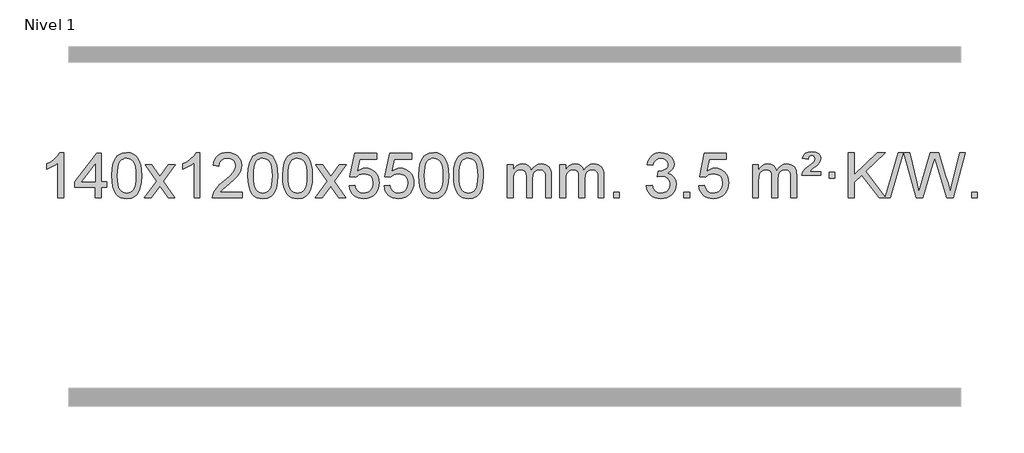
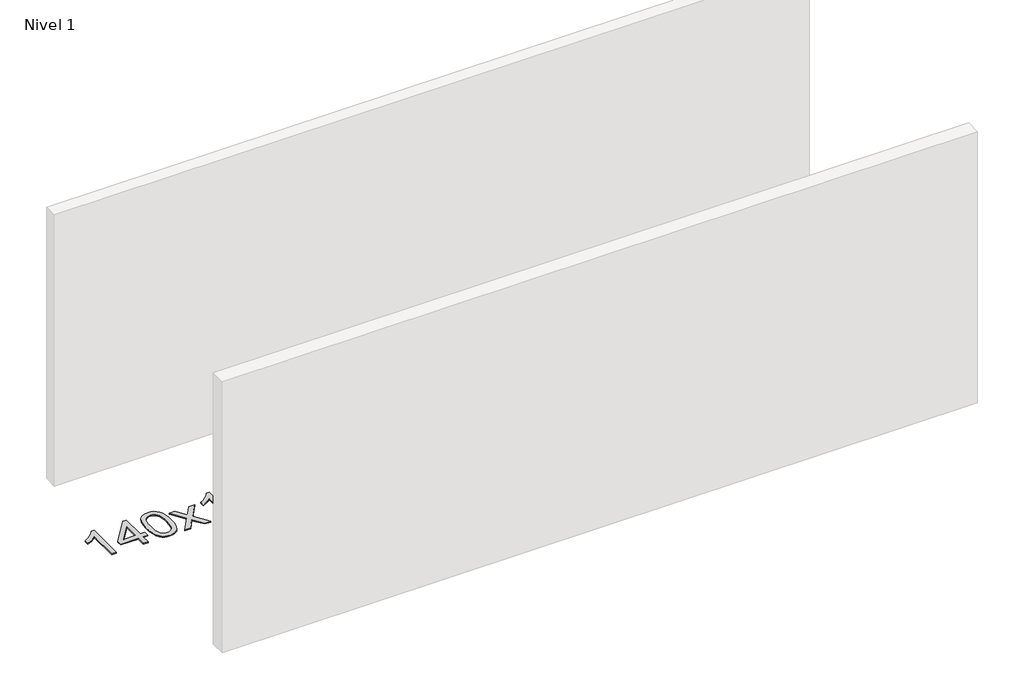
# One storey, part 10 of 14: 1 proxy.
"""IFC4 building model written with IfcOpenShell, lengths in millimetres."""

from ifc_helpers import new_model, si_unit, origin, origin_with_axes, place, context, project, spatial, polyline, outline, extrude, element, save

model = new_model("IFC4")

# Units and contexts
model_context = context("Model", 3, world=origin())
ifc_project = project(units=[si_unit("LENGTHUNIT", "METRE", prefix="MILLI")], contexts=[model_context])

# Site, building, storey
site = spatial("IfcSite", under=ifc_project)
building = spatial("IfcBuilding", under=site)
storey = spatial("IfcBuildingStorey", under=building, Name="Nivel 1", Elevation=0.0)

# Proxy
placement = place(None, origin())
element("IfcBuildingElementProxy", 1, Name="Texto de modelo 1", ObjectType="Texto de modelo 1", at=placement, inside=storey, context=model_context, shape_type="SweptSolid", body=[
    extrude(outline(polyline([(-275.4615788, -9415.579453), (-325.6897338, -9415.579453), (-325.6897338, -9102.4382987), (-346.6590076, -9119.3976587), (-373.2691385, -9136.3324932), (-426.146044, -9161.6918254), (-426.146044, -9114.2105225), (-386.6968314, -9092.7507395), (-352.520594, -9067.219729), (-325.5793692, -9040.0700378), (-307.8351943, -9013.7542124), (-275.4615788, -9013.7542124), (-275.4615788, -9415.579453)])), origin_with_axes(), (0.0, 0.0, 1.0), 10.0),
    extrude(outline(polyline([(7.0717935, -9415.579453), (7.0717935, -9321.4016622), (-175.0052686, -9321.4016622), (-175.0052686, -9271.1735072), (19.6288323, -9020.0327318), (57.2999486, -9020.0327318), (57.2999486, -9271.1735072), (107.5281037, -9271.1735072), (107.5281037, -9321.4016622), (57.2999486, -9321.4016622), (57.2999486, -9415.579453), (7.0717935, -9415.579453)]), holes=[polyline([(7.0717935, -9271.1735072), (7.0717935, -9115.9763561), (-113.2010934, -9271.1735072), (7.0717935, -9271.1735072)])]), origin_with_axes(), (0.0, 0.0, 1.0), 10.0),
    extrude(outline(polyline([(151.4777394, -9217.9041943), (155.1688221, -9153.5861588), (166.2420701, -9102.2911459), (184.5871189, -9063.2343407), (196.4451819, -9048.0009605), (210.0936039, -9035.6309284), (225.5783702, -9026.0598651), (242.9454661, -9019.2233914), (283.3266464, -9013.7542124), (314.277785, -9016.991574), (341.9915619, -9026.7036586), (365.1681276, -9042.5103217), (382.5076323, -9064.0314184), (395.6042314, -9091.0830078), (406.05208, -9123.4811488), (412.8946851, -9164.6226186), (415.1755535, -9217.9041943), (411.521259, -9281.8543477), (400.5583756, -9333.0267333), (382.3236913, -9372.1203266), (370.4932195, -9387.3996922), (356.8539945, -9399.8341036), (341.3508341, -9409.4695462), (323.928556, -9416.3520052), (283.3266464, -9421.8579724), (255.6619204, -9419.4667394), (231.1364541, -9412.2930405), (209.7502474, -9400.3368757), (191.5033004, -9383.5982449), (173.9921175, -9353.3399508), (161.4841296, -9315.6381776), (153.9793369, -9270.4929255), (151.4777394, -9217.9041943)]), holes=[polyline([(201.7058944, -9217.8060924), (203.1774224, -9261.4706195), (207.5920064, -9296.8148822), (214.9496463, -9323.8388804), (225.2503421, -9342.5426142), (237.709279, -9355.2682656), (251.5416421, -9364.3580165), (266.7474312, -9369.8118671), (283.3266464, -9371.6298173), (299.9058617, -9369.8057357), (315.1116508, -9364.3334911), (328.9440138, -9355.2130833), (341.4029507, -9342.4445124), (351.7036466, -9323.7101217), (359.0612865, -9296.6922549), (363.4758705, -9261.3909118), (364.9473984, -9217.8060924), (363.5249214, -9175.2973278), (359.2574902, -9140.5753989), (352.145105, -9113.6403055), (342.1877657, -9094.4920476), (329.9372952, -9081.1440625), (315.9455167, -9071.6097875), (300.21243, -9065.8892225), (282.7380352, -9063.9823675), (266.2446591, -9065.6623619), (251.2963874, -9070.7023452), (237.89322, -9079.1023175), (226.0351571, -9090.8622786), (215.3911047, -9111.708925), (207.7882101, -9139.8151094), (203.2264734, -9175.1808319), (201.7058944, -9217.8060924)])]), origin_with_axes(), (0.0, 0.0, 1.0), 10.0),
    extrude(outline(polyline([(440.2896311, -9415.579453), (547.6130718, -9267.2494325), (446.5681504, -9120.4890419), (506.9988995, -9120.4890419), (555.7555266, -9191.122385), (578.5151594, -9224.4770192), (598.2336343, -9197.2047007), (653.7592901, -9120.4890419), (714.1900392, -9120.4890419), (608.0438209, -9267.2494325), (710.2659646, -9415.579453), (649.8352155, -9415.579453), (588.3253459, -9326.4048574), (577.0436314, -9310.1199477), (500.7203801, -9415.579453), (440.2896311, -9415.579453)])), origin_with_axes(), (0.0, 0.0, 1.0), 10.0),
    extrude(outline(polyline([(930.014143, -9415.579453), (879.785988, -9415.579453), (879.785988, -9102.4382987), (858.8167142, -9119.3976587), (832.2065832, -9136.3324932), (779.3296778, -9161.6918254), (779.3296778, -9114.2105225), (818.7788904, -9092.7507395), (852.9551278, -9067.219729), (879.8963526, -9040.0700378), (897.6405275, -9013.7542124), (930.014143, -9013.7542124), (930.014143, -9415.579453)])), origin_with_axes(), (0.0, 0.0, 1.0), 10.0),
    extrude(outline(polyline([(1306.7253061, -9365.3512979), (1306.7253061, -9415.579453), (1043.0274919, -9415.579453), (1044.1311379, -9397.8965918), (1048.4230945, -9380.9494945), (1060.808455, -9353.8856424), (1078.9327747, -9327.6311307), (1105.1504982, -9300.1503456), (1141.8160704, -9269.4076736), (1196.017351, -9221.2641831), (1228.5381194, -9185.7267824), (1244.7985036, -9156.884834), (1250.2186316, -9128.8277005), (1245.1050719, -9103.6768347), (1229.7643927, -9082.7688747), (1206.1831568, -9068.6789943), (1176.347927, -9063.9823675), (1145.0166437, -9068.5686297), (1120.6751184, -9082.3274163), (1104.9665572, -9104.1796068), (1099.5341664, -9133.0460807), (1049.3060113, -9126.7675613), (1053.6255591, -9100.838012), (1061.4829054, -9078.1826125), (1072.8780502, -9058.8013627), (1087.8109935, -9042.6942627), (1105.9383788, -9030.0329907), (1126.9168496, -9020.989225), (1150.7464058, -9015.5629655), (1177.4270475, -9013.7542124), (1204.3468125, -9015.7653006), (1228.3051275, -9021.7985654), (1249.3019923, -9031.8540066), (1267.3374071, -9045.9316242), (1281.8227607, -9062.9890861), (1292.1694418, -9081.9840598), (1298.3774505, -9102.9165453), (1300.4467867, -9125.7865427), (1298.2149693, -9149.8092369), (1291.519517, -9173.4149983), (1279.6369285, -9197.4254299), (1261.8437027, -9222.6621347), (1233.4800009, -9252.7916701), (1189.8859844, -9291.4805933), (1132.1039857, -9339.795762), (1109.4424548, -9365.3512979), (1306.7253061, -9365.3512979)])), origin_with_axes(), (0.0, 0.0, 1.0), 10.0),
    extrude(outline(polyline([(1356.9534612, -9217.9041943), (1360.6445439, -9153.5861588), (1371.7177919, -9102.2911459), (1390.0628407, -9063.2343407), (1401.9209037, -9048.0009605), (1415.5693257, -9035.6309284), (1431.054092, -9026.0598651), (1448.4211879, -9019.2233914), (1488.8023682, -9013.7542124), (1519.7535068, -9016.991574), (1547.4672837, -9026.7036586), (1570.6438494, -9042.5103217), (1587.9833541, -9064.0314184), (1601.0799532, -9091.0830078), (1611.5278018, -9123.4811488), (1618.3704069, -9164.6226186), (1620.6512753, -9217.9041943), (1616.9969808, -9281.8543477), (1606.0340974, -9333.0267333), (1587.7994131, -9372.1203266), (1575.9689413, -9387.3996922), (1562.3297163, -9399.8341036), (1546.8265559, -9409.4695462), (1529.4042778, -9416.3520052), (1488.8023682, -9421.8579724), (1461.1376422, -9419.4667394), (1436.6121759, -9412.2930405), (1415.2259692, -9400.3368757), (1396.9790222, -9383.5982449), (1379.4678393, -9353.3399508), (1366.9598514, -9315.6381776), (1359.4550587, -9270.4929255), (1356.9534612, -9217.9041943)]), holes=[polyline([(1407.1816162, -9217.8060924), (1408.6531442, -9261.4706195), (1413.0677282, -9296.8148822), (1420.4253681, -9323.8388804), (1430.7260639, -9342.5426142), (1443.1850008, -9355.2682656), (1457.0173639, -9364.3580165), (1472.223153, -9369.8118671), (1488.8023682, -9371.6298173), (1505.3815835, -9369.8057357), (1520.5873726, -9364.3334911), (1534.4197356, -9355.2130833), (1546.8786725, -9342.4445124), (1557.1793684, -9323.7101217), (1564.5370083, -9296.6922549), (1568.9515923, -9261.3909118), (1570.4231202, -9217.8060924), (1569.0006432, -9175.2973278), (1564.733212, -9140.5753989), (1557.6208268, -9113.6403055), (1547.6634875, -9094.4920476), (1535.413017, -9081.1440625), (1521.4212385, -9071.6097875), (1505.6881518, -9065.8892225), (1488.213757, -9063.9823675), (1471.7203809, -9065.6623619), (1456.7721092, -9070.7023452), (1443.3689418, -9079.1023175), (1431.5108789, -9090.8622786), (1420.8668265, -9111.708925), (1413.2639319, -9139.8151094), (1408.7021952, -9175.1808319), (1407.1816162, -9217.8060924)])]), origin_with_axes(), (0.0, 0.0, 1.0), 10.0),
    extrude(outline(polyline([(1664.600911, -9217.9041943), (1668.2919937, -9153.5861588), (1679.3652417, -9102.2911459), (1697.7102906, -9063.2343407), (1709.5683535, -9048.0009605), (1723.2167756, -9035.6309284), (1738.7015419, -9026.0598651), (1756.0686377, -9019.2233914), (1796.4498181, -9013.7542124), (1827.4009566, -9016.991574), (1855.1147336, -9026.7036586), (1878.2912993, -9042.5103217), (1895.630804, -9064.0314184), (1908.727403, -9091.0830078), (1919.1752517, -9123.4811488), (1926.0178568, -9164.6226186), (1928.2987251, -9217.9041943), (1924.6444307, -9281.8543477), (1913.6815472, -9333.0267333), (1895.446863, -9372.1203266), (1883.6163911, -9387.3996922), (1869.9771662, -9399.8341036), (1854.4740058, -9409.4695462), (1837.0517276, -9416.3520052), (1796.4498181, -9421.8579724), (1768.785092, -9419.4667394), (1744.2596257, -9412.2930405), (1722.873419, -9400.3368757), (1704.6264721, -9383.5982449), (1687.1152891, -9353.3399508), (1674.6073013, -9315.6381776), (1667.1025086, -9270.4929255), (1664.600911, -9217.9041943)]), holes=[polyline([(1714.8290661, -9217.8060924), (1716.3005941, -9261.4706195), (1720.715178, -9296.8148822), (1728.0728179, -9323.8388804), (1738.3735138, -9342.5426142), (1750.8324507, -9355.2682656), (1764.6648137, -9364.3580165), (1779.8706028, -9369.8118671), (1796.4498181, -9371.6298173), (1813.0290333, -9369.8057357), (1828.2348225, -9364.3334911), (1842.0671855, -9355.2130833), (1854.5261224, -9342.4445124), (1864.8268182, -9323.7101217), (1872.1844581, -9296.6922549), (1876.5990421, -9261.3909118), (1878.0705701, -9217.8060924), (1876.648093, -9175.2973278), (1872.3806619, -9140.5753989), (1865.2682766, -9113.6403055), (1855.3109373, -9094.4920476), (1843.0604669, -9081.1440625), (1829.0686883, -9071.6097875), (1813.3356016, -9065.8892225), (1795.8612069, -9063.9823675), (1779.3678308, -9065.6623619), (1764.419559, -9070.7023452), (1751.0163917, -9079.1023175), (1739.1583287, -9090.8622786), (1728.5142763, -9111.708925), (1720.9113817, -9139.8151094), (1716.349645, -9175.1808319), (1714.8290661, -9217.8060924)])]), origin_with_axes(), (0.0, 0.0, 1.0), 10.0),
    extrude(outline(polyline([(1953.4128027, -9415.579453), (2060.7362434, -9267.2494325), (1959.6913221, -9120.4890419), (2020.1220711, -9120.4890419), (2068.8786982, -9191.122385), (2091.638331, -9224.4770192), (2111.3568059, -9197.2047007), (2166.8824617, -9120.4890419), (2227.3132108, -9120.4890419), (2121.1669925, -9267.2494325), (2223.3891362, -9415.579453), (2162.9583871, -9415.579453), (2101.4485175, -9326.4048574), (2090.166803, -9310.1199477), (2013.8435518, -9415.579453), (1953.4128027, -9415.579453)])), origin_with_axes(), (0.0, 0.0, 1.0), 10.0),
    extrude(outline(polyline([(2254.7817331, -9308.8446235), (2305.0098882, -9302.5661041), (2314.2314635, -9332.7201649), (2330.3201695, -9354.3148381), (2353.2024296, -9367.3010725), (2382.8046674, -9371.6298173), (2401.9345312, -9370.1245668), (2418.808052, -9365.6088153), (2433.42523, -9358.0825628), (2445.786065, -9347.5458094), (2455.6146457, -9334.519721), (2462.6350604, -9319.5254641), (2468.2513922, -9283.6324441), (2462.9906797, -9249.8363514), (2456.414789, -9235.9181493), (2447.2085421, -9223.9865099), (2435.341282, -9214.4154467), (2420.7823521, -9207.5789729), (2383.5894824, -9202.1097939), (2359.2234316, -9204.2925604), (2339.4926939, -9210.8408599), (2323.7350818, -9220.8717757), (2311.2884076, -9233.5023908), (2261.0602525, -9227.2238715), (2305.0098882, -9020.0327318), (2499.6439891, -9020.0327318), (2499.6439891, -9070.2608869), (2345.6240605, -9070.2608869), (2324.139752, -9180.919791), (2341.8655328, -9168.2155994), (2360.0205092, -9159.1411769), (2378.6046813, -9153.6965234), (2397.6180491, -9151.8816388), (2422.0791361, -9154.1318504), (2444.547529, -9160.882485), (2465.0232277, -9172.1335427), (2483.5062323, -9187.8850234), (2498.8070576, -9207.1743027), (2509.7362185, -9229.038756), (2516.2937151, -9253.4783832), (2518.4795473, -9280.4931844), (2516.5113786, -9306.5147042), (2510.6068726, -9330.7213394), (2500.7660292, -9353.1130902), (2486.9888485, -9373.6899565), (2466.1176766, -9394.7634634), (2441.7638885, -9409.8159684), (2413.9274842, -9418.8474714), (2382.6084637, -9421.8579724), (2356.6881115, -9419.9235262), (2333.2754882, -9414.1201877), (2312.3705938, -9404.447957), (2293.9734283, -9390.9068338), (2278.6664717, -9374.1712688), (2267.0322036, -9354.915712), (2259.0706241, -9333.1401636), (2254.7817331, -9308.8446235)])), origin_with_axes(), (0.0, 0.0, 1.0), 10.0),
    extrude(outline(polyline([(2562.429183, -9308.8446235), (2612.657338, -9302.5661041), (2621.8789134, -9332.7201649), (2637.9676193, -9354.3148381), (2660.8498794, -9367.3010725), (2690.4521173, -9371.6298173), (2709.581981, -9370.1245668), (2726.4555019, -9365.6088153), (2741.0726798, -9358.0825628), (2753.4335149, -9347.5458094), (2763.2620955, -9334.519721), (2770.2825102, -9319.5254641), (2775.898842, -9283.6324441), (2770.6381295, -9249.8363514), (2764.0622388, -9235.9181493), (2754.8559919, -9223.9865099), (2742.9887319, -9214.4154467), (2728.4298019, -9207.5789729), (2691.2369322, -9202.1097939), (2666.8708814, -9204.2925604), (2647.1401437, -9210.8408599), (2631.3825316, -9220.8717757), (2618.9358574, -9233.5023908), (2568.7077023, -9227.2238715), (2612.657338, -9020.0327318), (2807.291439, -9020.0327318), (2807.291439, -9070.2608869), (2653.2715103, -9070.2608869), (2631.7872018, -9180.919791), (2649.5129826, -9168.2155994), (2667.667959, -9159.1411769), (2686.2521312, -9153.6965234), (2705.265499, -9151.8816388), (2729.726586, -9154.1318504), (2752.1949788, -9160.882485), (2772.6706775, -9172.1335427), (2791.1536821, -9187.8850234), (2806.4545074, -9207.1743027), (2817.3836684, -9229.038756), (2823.9411649, -9253.4783832), (2826.1269971, -9280.4931844), (2824.1588284, -9306.5147042), (2818.2543224, -9330.7213394), (2808.413479, -9353.1130902), (2794.6362983, -9373.6899565), (2773.7651265, -9394.7634634), (2749.4113384, -9409.8159684), (2721.5749341, -9418.8474714), (2690.2559136, -9421.8579724), (2664.3355613, -9419.9235262), (2640.922938, -9414.1201877), (2620.0180436, -9404.447957), (2601.6208782, -9390.9068338), (2586.3139215, -9374.1712688), (2574.6796534, -9354.915712), (2566.7180739, -9333.1401636), (2562.429183, -9308.8446235)])), origin_with_axes(), (0.0, 0.0, 1.0), 10.0),
    extrude(outline(polyline([(2870.0766328, -9217.9041943), (2873.7677155, -9153.5861588), (2884.8409635, -9102.2911459), (2903.1860124, -9063.2343407), (2915.0440753, -9048.0009605), (2928.6924974, -9035.6309284), (2944.1772637, -9026.0598651), (2961.5443595, -9019.2233914), (3001.9255399, -9013.7542124), (3032.8766784, -9016.991574), (3060.5904554, -9026.7036586), (3083.7670211, -9042.5103217), (3101.1065258, -9064.0314184), (3114.2031248, -9091.0830078), (3124.6509735, -9123.4811488), (3131.4935786, -9164.6226186), (3133.7744469, -9217.9041943), (3130.1201525, -9281.8543477), (3119.157269, -9333.0267333), (3100.9225848, -9372.1203266), (3089.0921129, -9387.3996922), (3075.452888, -9399.8341036), (3059.9497276, -9409.4695462), (3042.5274494, -9416.3520052), (3001.9255399, -9421.8579724), (2974.2608138, -9419.4667394), (2949.7353475, -9412.2930405), (2928.3491408, -9400.3368757), (2910.1021939, -9383.5982449), (2892.5910109, -9353.3399508), (2880.0830231, -9315.6381776), (2872.5782304, -9270.4929255), (2870.0766328, -9217.9041943)]), holes=[polyline([(2920.3047879, -9217.8060924), (2921.7763158, -9261.4706195), (2926.1908998, -9296.8148822), (2933.5485397, -9323.8388804), (2943.8492356, -9342.5426142), (2956.3081725, -9355.2682656), (2970.1405355, -9364.3580165), (2985.3463246, -9369.8118671), (3001.9255399, -9371.6298173), (3018.5047551, -9369.8057357), (3033.7105442, -9364.3334911), (3047.5429073, -9355.2130833), (3060.0018442, -9342.4445124), (3070.30254, -9323.7101217), (3077.6601799, -9296.6922549), (3082.0747639, -9261.3909118), (3083.5462919, -9217.8060924), (3082.1238148, -9175.2973278), (3077.8563837, -9140.5753989), (3070.7439984, -9113.6403055), (3060.7866591, -9094.4920476), (3048.5361887, -9081.1440625), (3034.5444101, -9071.6097875), (3018.8113234, -9065.8892225), (3001.3369287, -9063.9823675), (2984.8435526, -9065.6623619), (2969.8952808, -9070.7023452), (2956.4921135, -9079.1023175), (2944.6340505, -9090.8622786), (2933.9899981, -9111.708925), (2926.3871035, -9139.8151094), (2921.8253668, -9175.1808319), (2920.3047879, -9217.8060924)])]), origin_with_axes(), (0.0, 0.0, 1.0), 10.0),
    extrude(outline(polyline([(3177.7240826, -9217.9041943), (3181.4151653, -9153.5861588), (3192.4884134, -9102.2911459), (3210.8334622, -9063.2343407), (3222.6915252, -9048.0009605), (3236.3399472, -9035.6309284), (3251.8247135, -9026.0598651), (3269.1918094, -9019.2233914), (3309.5729897, -9013.7542124), (3340.5241282, -9016.991574), (3368.2379052, -9026.7036586), (3391.4144709, -9042.5103217), (3408.7539756, -9064.0314184), (3421.8505746, -9091.0830078), (3432.2984233, -9123.4811488), (3439.1410284, -9164.6226186), (3441.4218968, -9217.9041943), (3437.7676023, -9281.8543477), (3426.8047188, -9333.0267333), (3408.5700346, -9372.1203266), (3396.7395628, -9387.3996922), (3383.1003378, -9399.8341036), (3367.5971774, -9409.4695462), (3350.1748992, -9416.3520052), (3309.5729897, -9421.8579724), (3281.9082637, -9419.4667394), (3257.3827973, -9412.2930405), (3235.9965907, -9400.3368757), (3217.7496437, -9383.5982449), (3200.2384607, -9353.3399508), (3187.7304729, -9315.6381776), (3180.2256802, -9270.4929255), (3177.7240826, -9217.9041943)]), holes=[polyline([(3227.9522377, -9217.8060924), (3229.4237657, -9261.4706195), (3233.8383496, -9296.8148822), (3241.1959895, -9323.8388804), (3251.4966854, -9342.5426142), (3263.9556223, -9355.2682656), (3277.7879853, -9364.3580165), (3292.9937744, -9369.8118671), (3309.5729897, -9371.6298173), (3326.1522049, -9369.8057357), (3341.3579941, -9364.3334911), (3355.1903571, -9355.2130833), (3367.649294, -9342.4445124), (3377.9499899, -9323.7101217), (3385.3076298, -9296.6922549), (3389.7222137, -9261.3909118), (3391.1937417, -9217.8060924), (3389.7712646, -9175.2973278), (3385.5038335, -9140.5753989), (3378.3914483, -9113.6403055), (3368.4341089, -9094.4920476), (3356.1836385, -9081.1440625), (3342.1918599, -9071.6097875), (3326.4587733, -9065.8892225), (3308.9843785, -9063.9823675), (3292.4910024, -9065.6623619), (3277.5427307, -9070.7023452), (3264.1395633, -9079.1023175), (3252.2815003, -9090.8622786), (3241.6374479, -9111.708925), (3234.0345534, -9139.8151094), (3229.4728166, -9175.1808319), (3227.9522377, -9217.8060924)])]), origin_with_axes(), (0.0, 0.0, 1.0), 10.0),
    extrude(outline(polyline([(3654.8915558, -9415.579453), (3654.8915558, -9120.4890419), (3705.1197109, -9120.4890419), (3705.1197109, -9169.0494653), (3720.2273982, -9146.7435537), (3739.6515675, -9129.2691589), (3762.7300314, -9117.9751816), (3788.8006021, -9114.2105225), (3816.7351082, -9118.048758), (3839.126859, -9129.5634645), (3855.8532271, -9147.9943524), (3866.7915851, -9172.5811324), (3885.0998457, -9147.0439906), (3905.9832803, -9128.803175), (3929.4418888, -9117.8586857), (3955.4756714, -9114.2105225), (3975.5834881, -9115.7280358), (3993.2326268, -9120.2805755), (4008.4230875, -9127.8681416), (4021.1548702, -9138.4907342), (4031.2195085, -9152.2709806), (4038.4085358, -9169.3315082), (4042.7219522, -9189.6723168), (4044.1597577, -9213.2934066), (4044.1597577, -9415.579453), (3993.9316026, -9415.579453), (3993.9316026, -9234.875817), (3992.7666429, -9209.8230531), (3989.271764, -9192.9372695), (3982.7234645, -9181.3735121), (3972.3982431, -9172.2868268), (3959.1177031, -9166.4007149), (3943.7034475, -9164.4386776), (3916.4924426, -9169.4663982), (3894.3091583, -9184.54956), (3885.7037853, -9196.1194488), (3879.5570903, -9210.7182326), (3874.6397343, -9249.0024856), (3874.6397343, -9415.579453), (3824.4115792, -9415.579453), (3824.4115792, -9229.2840106), (3821.5053115, -9200.8835206), (3812.7865082, -9180.6254854), (3797.445829, -9168.4853796), (3774.6739335, -9164.4386776), (3755.3233405, -9167.1364789), (3737.4933265, -9175.2298828), (3722.7780467, -9188.5226856), (3712.7716564, -9206.8186835), (3707.0326973, -9232.2025411), (3705.1197109, -9266.7589232), (3705.1197109, -9415.579453), (3654.8915558, -9415.579453)])), origin_with_axes(), (0.0, 0.0, 1.0), 10.0),
    extrude(outline(polyline([(4119.5019903, -9415.579453), (4119.5019903, -9120.4890419), (4169.7301454, -9120.4890419), (4169.7301454, -9169.0494653), (4184.8378326, -9146.7435537), (4204.262002, -9129.2691589), (4227.3404658, -9117.9751816), (4253.4110365, -9114.2105225), (4281.3455427, -9118.048758), (4303.7372935, -9129.5634645), (4320.4636615, -9147.9943524), (4331.4020195, -9172.5811324), (4349.7102801, -9147.0439906), (4370.5937147, -9128.803175), (4394.0523233, -9117.8586857), (4420.0861058, -9114.2105225), (4440.1939225, -9115.7280358), (4457.8430612, -9120.2805755), (4473.033522, -9127.8681416), (4485.7653047, -9138.4907342), (4495.8299429, -9152.2709806), (4503.0189703, -9169.3315082), (4507.3323866, -9189.6723168), (4508.7701921, -9213.2934066), (4508.7701921, -9415.579453), (4458.542037, -9415.579453), (4458.542037, -9234.875817), (4457.3770774, -9209.8230531), (4453.8821984, -9192.9372695), (4447.3338989, -9181.3735121), (4437.0086776, -9172.2868268), (4423.7281376, -9166.4007149), (4408.313882, -9164.4386776), (4381.1028771, -9169.4663982), (4358.9195927, -9184.54956), (4350.3142197, -9196.1194488), (4344.1675247, -9210.7182326), (4339.2501687, -9249.0024856), (4339.2501687, -9415.579453), (4289.0220137, -9415.579453), (4289.0220137, -9229.2840106), (4286.1157459, -9200.8835206), (4277.3969426, -9180.6254854), (4262.0562634, -9168.4853796), (4239.2843679, -9164.4386776), (4219.933775, -9167.1364789), (4202.1037609, -9175.2298828), (4187.3884811, -9188.5226856), (4177.3820909, -9206.8186835), (4171.6431317, -9232.2025411), (4169.7301454, -9266.7589232), (4169.7301454, -9415.579453), (4119.5019903, -9415.579453)])), origin_with_axes(), (0.0, 0.0, 1.0), 10.0),
    extrude(outline(polyline([(4596.6694635, -9415.579453), (4596.6694635, -9365.3512979), (4646.8976186, -9365.3512979), (4646.8976186, -9415.579453), (4596.6694635, -9415.579453)])), origin_with_axes(), (0.0, 0.0, 1.0), 10.0),
    extrude(outline(polyline([(4885.4813552, -9308.8446235), (4935.7095102, -9302.5661041), (4946.9544366, -9334.1303793), (4963.4232872, -9355.4430095), (4985.9254026, -9367.5831154), (5015.2701231, -9371.6298173), (5049.7038778, -9366.0625364), (5063.9776992, -9359.1034354), (5076.2894833, -9349.3606939), (5093.2856315, -9324.4428201), (5098.9510142, -9294.2274455), (5093.3346824, -9265.5449126), (5076.4856871, -9242.2825078), (5050.9792021, -9226.8682522), (5019.3904014, -9221.730167), (4984.1718317, -9227.2238715), (4989.7636381, -9176.9957164), (4997.807991, -9177.5843276), (5027.9007382, -9173.979084), (5054.8051748, -9163.1633534), (5065.8784229, -9154.9841103), (5073.7878858, -9144.8673555), (5078.5335635, -9132.8130888), (5080.1154561, -9118.8213102), (5075.5291939, -9097.1285352), (5061.7704073, -9079.5315131), (5040.7766081, -9067.8696539), (5014.4853081, -9063.9823675), (4988.1449573, -9067.9064421), (4966.6115978, -9079.6786659), (4950.8907739, -9099.299039), (4941.9880296, -9126.7675613), (4891.7598746, -9120.4890419), (4897.7134315, -9096.5092672), (4906.5487308, -9075.3867093), (4918.2657723, -9057.1213683), (4932.8645561, -9041.713244), (4949.8852298, -9029.4811677), (4968.8679407, -9020.7439703), (4989.812689, -9015.5016519), (5012.7194746, -9013.7542124), (5044.2960125, -9017.2000404), (5073.2973764, -9027.5375245), (5097.7492664, -9043.8469596), (5115.6773823, -9065.2086408), (5126.6770539, -9089.8199463), (5130.3436112, -9115.8782543), (5126.8609949, -9140.1584659), (5116.4131463, -9162.1823347), (5099.147218, -9180.9443165), (5075.2103628, -9195.4388671), (5106.6520107, -9208.1430586), (5129.9512037, -9229.77452), (5144.3721779, -9259.1560286), (5149.1791693, -9295.1103623), (5146.7756736, -9320.5923218), (5139.5651865, -9344.0631931), (5127.547708, -9365.5229762), (5110.7232381, -9384.971671), (5090.2260796, -9401.1094278), (5067.1905353, -9412.636397), (5041.6166053, -9419.5525785), (5013.5042895, -9421.8579724), (4988.0959064, -9419.8898037), (4964.9438661, -9413.9852977), (4944.0481688, -9404.1444543), (4925.4088144, -9390.3672736), (4909.779961, -9373.4630959), (4897.9157666, -9354.2412617), (4889.8162313, -9332.7017708), (4885.4813552, -9308.8446235)])), origin_with_axes(), (0.0, 0.0, 1.0), 10.0),
    extrude(outline(polyline([(5218.2428825, -9415.579453), (5218.2428825, -9365.3512979), (5268.4710376, -9365.3512979), (5268.4710376, -9415.579453), (5218.2428825, -9415.579453)])), origin_with_axes(), (0.0, 0.0, 1.0), 10.0),
    extrude(outline(polyline([(5350.0917896, -9308.8446235), (5400.3199447, -9302.5661041), (5409.54152, -9332.7201649), (5425.630226, -9354.3148381), (5448.5124861, -9367.3010725), (5478.1147239, -9371.6298173), (5497.2445877, -9370.1245668), (5514.1181085, -9365.6088153), (5528.7352865, -9358.0825628), (5541.0961215, -9347.5458094), (5550.9247021, -9334.519721), (5557.9451169, -9319.5254641), (5563.5614487, -9283.6324441), (5558.3007361, -9249.8363514), (5551.7248455, -9235.9181493), (5542.5185986, -9223.9865099), (5530.6513385, -9214.4154467), (5516.0924086, -9207.5789729), (5478.8995389, -9202.1097939), (5454.533488, -9204.2925604), (5434.8027504, -9210.8408599), (5419.0451382, -9220.8717757), (5406.5984641, -9233.5023908), (5356.370309, -9227.2238715), (5400.3199447, -9020.0327318), (5594.9540456, -9020.0327318), (5594.9540456, -9070.2608869), (5440.934117, -9070.2608869), (5419.4498084, -9180.919791), (5437.1755892, -9168.2155994), (5455.3305657, -9159.1411769), (5473.9147378, -9153.6965234), (5492.9281056, -9151.8816388), (5517.3891926, -9154.1318504), (5539.8575855, -9160.882485), (5560.3332842, -9172.1335427), (5578.8162887, -9187.8850234), (5594.1171141, -9207.1743027), (5605.046275, -9229.038756), (5611.6037716, -9253.4783832), (5613.7896038, -9280.4931844), (5611.8214351, -9306.5147042), (5605.9169291, -9330.7213394), (5596.0760857, -9353.1130902), (5582.298905, -9373.6899565), (5561.4277331, -9394.7634634), (5537.073945, -9409.8159684), (5509.2375407, -9418.8474714), (5477.9185202, -9421.8579724), (5451.998168, -9419.9235262), (5428.5855447, -9414.1201877), (5407.6806503, -9404.447957), (5389.2834848, -9390.9068338), (5373.9765281, -9374.1712688), (5362.3422601, -9354.915712), (5354.3806805, -9333.1401636), (5350.0917896, -9308.8446235)])), origin_with_axes(), (0.0, 0.0, 1.0), 10.0),
    extrude(outline(polyline([(5827.2592628, -9415.579453), (5827.2592628, -9120.4890419), (5877.4874179, -9120.4890419), (5877.4874179, -9169.0494653), (5892.5951052, -9146.7435537), (5912.0192745, -9129.2691589), (5935.0977383, -9117.9751816), (5961.1683091, -9114.2105225), (5989.1028152, -9118.048758), (6011.494566, -9129.5634645), (6028.2209341, -9147.9943524), (6039.159292, -9172.5811324), (6057.4675527, -9147.0439906), (6078.3509873, -9128.803175), (6101.8095958, -9117.8586857), (6127.8433783, -9114.2105225), (6147.9511951, -9115.7280358), (6165.6003338, -9120.2805755), (6180.7907945, -9127.8681416), (6193.5225772, -9138.4907342), (6203.5872155, -9152.2709806), (6210.7762428, -9169.3315082), (6215.0896592, -9189.6723168), (6216.5274647, -9213.2934066), (6216.5274647, -9415.579453), (6166.2993096, -9415.579453), (6166.2993096, -9234.875817), (6165.1343499, -9209.8230531), (6161.639471, -9192.9372695), (6155.0911715, -9181.3735121), (6144.7659501, -9172.2868268), (6131.4854101, -9166.4007149), (6116.0711545, -9164.4386776), (6088.8601496, -9169.4663982), (6066.6768653, -9184.54956), (6058.0714923, -9196.1194488), (6051.9247973, -9210.7182326), (6047.0074413, -9249.0024856), (6047.0074413, -9415.579453), (5996.7792862, -9415.579453), (5996.7792862, -9229.2840106), (5993.8730184, -9200.8835206), (5985.1542152, -9180.6254854), (5969.813536, -9168.4853796), (5947.0416405, -9164.4386776), (5927.6910475, -9167.1364789), (5909.8610335, -9175.2298828), (5895.1457537, -9188.5226856), (5885.1393634, -9206.8186835), (5879.4004043, -9232.2025411), (5877.4874179, -9266.7589232), (5877.4874179, -9415.579453), (5827.2592628, -9415.579453)])), origin_with_axes(), (0.0, 0.0, 1.0), 10.0),
    extrude(outline(polyline([(6260.4771003, -9214.6668327), (6264.3030731, -9198.8479069), (6272.6417317, -9182.9799302), (6294.1505656, -9157.8413272), (6326.1072483, -9130.1030247), (6370.2530877, -9092.726214), (6377.3899984, -9081.1992448), (6379.7689686, -9069.3779701), (6377.8805077, -9057.2869152), (6372.215125, -9047.5012541), (6362.8463969, -9041.026531), (6349.8478997, -9038.8682899), (6337.4134883, -9040.4869707), (6328.5597949, -9045.343013), (6322.1341227, -9054.8098431), (6316.9837748, -9070.2608869), (6266.7556197, -9063.9823675), (6277.5958759, -9038.7701881), (6294.224142, -9021.2099542), (6317.9893189, -9010.9092583), (6350.2403072, -9007.475693), (6386.0229626, -9011.6082341), (6410.7691581, -9024.0058573), (6425.1901323, -9042.3386434), (6429.9971237, -9064.2766731), (6425.9013708, -9087.1834586), (6413.6141122, -9108.8149199), (6393.0862969, -9128.6314968), (6356.6169284, -9156.6886303), (6331.0123416, -9183.2742358), (6429.9971237, -9183.2742358), (6429.9971237, -9214.6668327), (6260.4771003, -9214.6668327)])), origin_with_axes(), (0.0, 0.0, 1.0), 10.0),
    extrude(outline(polyline([(6505.3393563, -9239.7809102), (6505.3393563, -9189.5527552), (6555.5675114, -9189.5527552), (6555.5675114, -9239.7809102), (6505.3393563, -9239.7809102)])), origin_with_axes(), (0.0, 0.0, 1.0), 10.0),
    extrude(outline(polyline([(6946.2091394, -9415.579453), (6792.7778219, -9212.9009991), (6725.0875348, -9277.4520265), (6725.0875348, -9415.579453), (6674.8593797, -9415.579453), (6674.8593797, -9013.7542124), (6725.0875348, -9013.7542124), (6725.0875348, -9210.4484525), (6931.1014521, -9013.7542124), (7001.3423877, -9013.7542124), (6828.388799, -9178.9577537), (7003.0424089, -9409.5349332), (7114.3557366, -9013.7542124), (7159.6787984, -9013.7542124), (7046.6654495, -9415.579453), (7007.6209071, -9415.579453), (7001.3423877, -9415.579453), (6946.2091394, -9415.579453)])), origin_with_axes(), (0.0, 0.0, 1.0), 10.0),
    extrude(outline(polyline([(7274.1636753, -9415.579453), (7164.5838917, -9013.7542124), (7216.3816766, -9013.7542124), (7279.9516854, -9277.844434), (7299.5720585, -9359.3670841), (7320.5658576, -9287.2622131), (7400.2245723, -9013.7542124), (7474.8800919, -9013.7542124), (7532.7601925, -9212.0180823), (7557.5554389, -9285.5944814), (7575.8269114, -9359.3670841), (7594.8586732, -9280.1988788), (7659.0172932, -9013.7542124), (7710.8150781, -9013.7542124), (7601.1371926, -9415.579453), (7547.4754723, -9415.579453), (7451.1394405, -9105.5775584), (7437.6994849, -9062.3146358), (7422.5917976, -9114.4067263), (7334.7906281, -9415.579453), (7274.1636753, -9415.579453)])), origin_with_axes(), (0.0, 0.0, 1.0), 10.0),
    extrude(outline(polyline([(7767.3217526, -9415.579453), (7767.3217526, -9365.3512979), (7817.5499077, -9365.3512979), (7817.5499077, -9415.579453), (7767.3217526, -9415.579453)])), origin_with_axes(), (0.0, 0.0, 1.0), 10.0),
])

save(model, "model.ifc")
